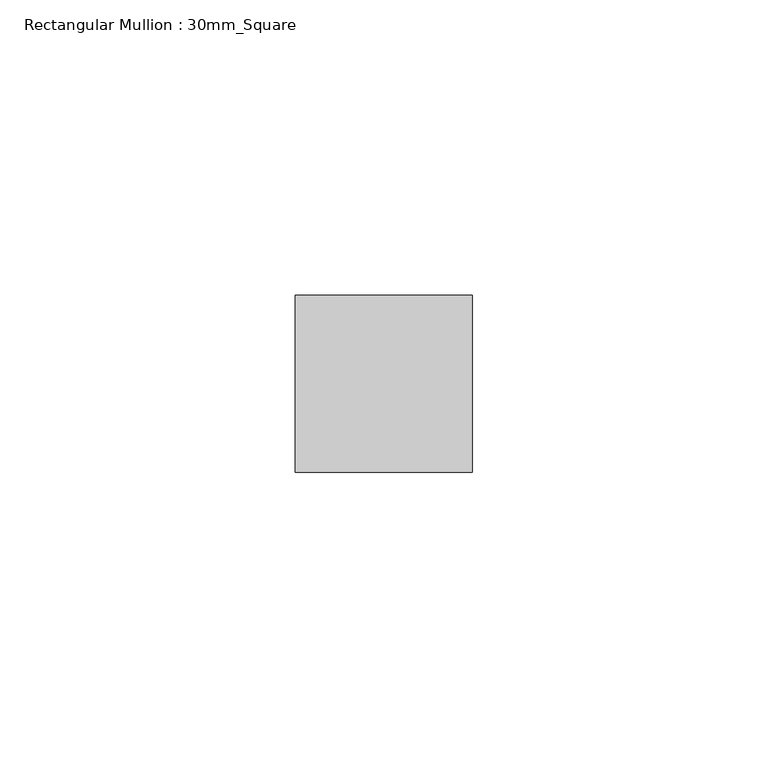
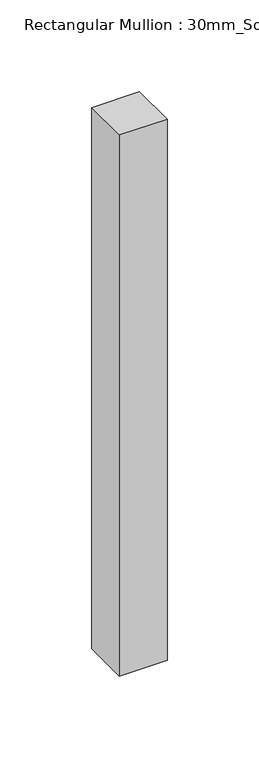
"""IFC4 building model written with IfcOpenShell, lengths in millimetres: member geometry, Rectangular Mullion : 30mm_Square."""

from ifc_helpers import new_model, si_unit, frame, origin, place, context, project, spatial, polyline, outline, extrude, source, transform, mapped, element, save


def rectangular_mullion_30mm_square_5ef72ae8(model_context):
    return source(origin(), model_context, "Body", "SweptSolid", [
        extrude(outline(polyline([(15.0, 15.0), (15.0, -15.0), (-15.0, -15.0), (-15.0, 15.0), (15.0, 15.0)])), frame((0.0, 0.0, -360.0), z_axis=(0.0, 0.0, 1.0), x_axis=(1.0, 0.0, 0.0)), (0.0, 0.0, 1.0), 360.0),
    ])


if __name__ == "__main__":
    model = new_model("IFC4")
    model_context = context("Model", 3, world=origin())
    ifc_project = project(units=[si_unit("LENGTHUNIT", "METRE", prefix="MILLI")], contexts=[model_context])
    site = spatial("IfcSite", under=ifc_project)
    building = spatial("IfcBuilding", under=site)
    placement = place(None, origin())
    rectangular_mullion_30mm_square_shape = rectangular_mullion_30mm_square_5ef72ae8(model_context)
    element("IfcMember", 1, ObjectType="Rectangular Mullion : 30mm_Square", at=placement, inside=building, context=model_context, shape_type="MappedRepresentation", body=[
        mapped(rectangular_mullion_30mm_square_shape, transform((0.0, 0.0, 0.0), x_axis=(1.0, 0.0, 0.0), y_axis=(0.0, 1.0, 0.0), z_axis=(0.0, 0.0, 1.0))),
    ])
    save(model, "model.ifc")
